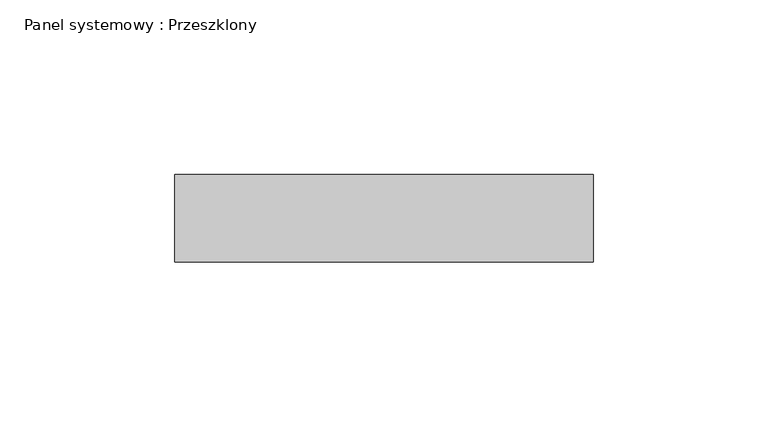
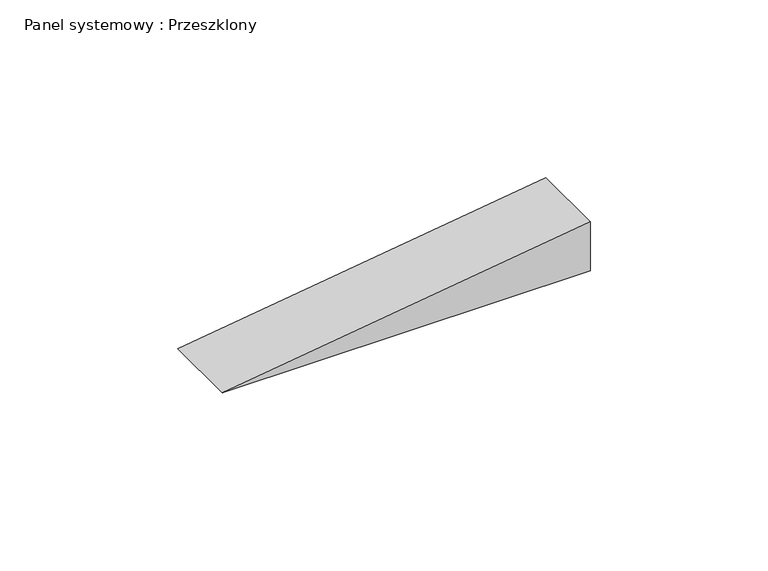
"""IFC4 building model written with IfcOpenShell, lengths in millimetres: plate geometry, Panel systemowy : Przeszklony."""

from ifc_helpers import new_model, si_unit, frame, origin, place, context, project, spatial, polyline, outline, extrude, source, transform, mapped, element, save


def panel_systemowy_przeszklony_3f28db84(model_context):
    return source(origin(), model_context, "Body", "SweptSolid", [
        extrude(outline(polyline([(0.0, -59.7247902), (0.0, 59.7247902), (16.7968474, 59.7247902), (0.0, -59.7247902)])), frame((0.0, 24.5, 0.0), z_axis=(0.0, 1.0, 0.0), x_axis=(0.0, 0.0, 1.0)), (0.0, 0.0, 1.0), 25.0),
    ])


if __name__ == "__main__":
    model = new_model("IFC4")
    model_context = context("Model", 3, world=origin())
    ifc_project = project(units=[si_unit("LENGTHUNIT", "METRE", prefix="MILLI")], contexts=[model_context])
    site = spatial("IfcSite", under=ifc_project)
    building = spatial("IfcBuilding", under=site)
    placement = place(None, origin())
    panel_systemowy_przeszklony_shape = panel_systemowy_przeszklony_3f28db84(model_context)
    element("IfcPlate", 1, ObjectType="Panel systemowy : Przeszklony", at=placement, inside=building, context=model_context, shape_type="MappedRepresentation", body=[
        mapped(panel_systemowy_przeszklony_shape, transform((0.0, 0.0, 0.0), x_axis=(1.0, 0.0, 0.0), y_axis=(0.0, 1.0, 0.0), z_axis=(0.0, 0.0, 1.0))),
    ])
    save(model, "model.ifc")
